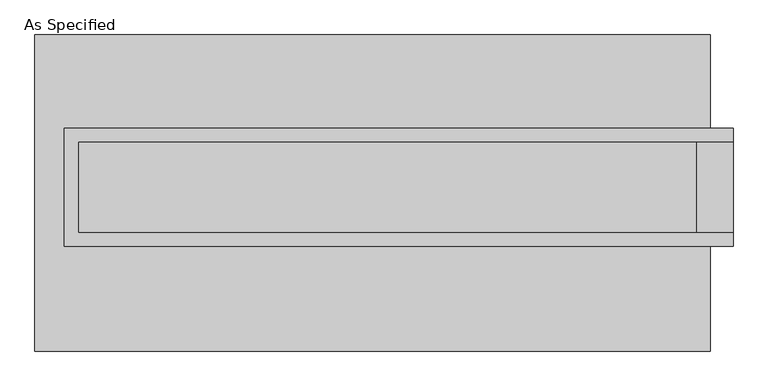
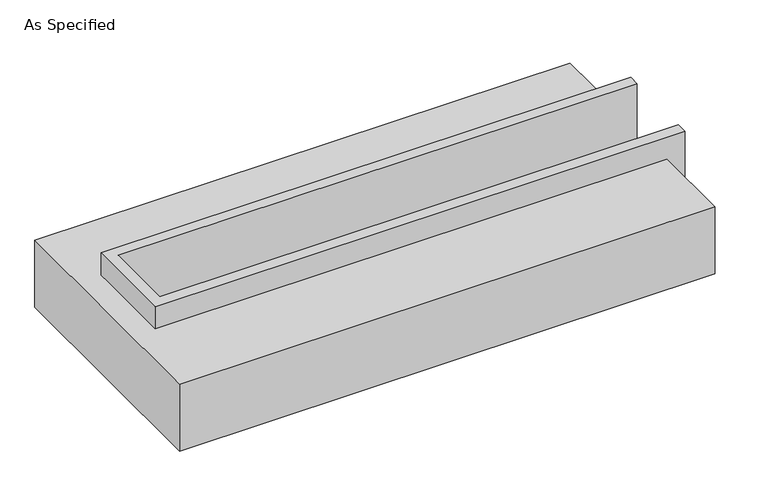
"""IFC4 building model written with IfcOpenShell, lengths in millimetres: proxy geometry, As Specified."""

from ifc_helpers import new_model, si_unit, origin, place, context, project, spatial, faceted_brep, source, transform, mapped, element, save


def as_specified_a4f31596(model_context):
    return source(origin(), model_context, "Body", "Brep", [
        faceted_brep([(-1720.85, 361.95, 139.7), (-1720.85, 361.95, -393.7), (-1720.85, 285.75, -393.7), (-1720.85, 285.75, -25.4), (-1720.85, -222.25, -25.4), (-1720.85, -222.25, -393.7), (-1720.85, -298.45, -393.7), (-1720.85, -298.45, 139.7), (2012.95, 285.75, 139.7), (2012.95, 285.75, -317.5), (2012.95, -222.25, -317.5), (2012.95, -222.25, 139.7), (2012.95, -298.45, 139.7), (2012.95, -298.45, -393.7), (2012.95, 361.95, -393.7), (2012.95, 361.95, 139.7), (-1644.65, -222.25, 139.7), (-1644.65, 285.75, 139.7), (1809.75, -222.25, -393.7), (1809.75, 285.75, -393.7), (1809.75, -222.25, -317.5), (-1644.65, -222.25, -25.4), (1809.75, 285.75, -317.5), (-1644.65, 285.75, -25.4)], [[[0, 1, 2, 3, 4, 5, 6, 7]], [[8, 9, 10, 11, 12, 13, 14, 15]], [[0, 7, 12, 11, 16, 17, 8, 15]], [[1, 0, 15, 14]], [[14, 13, 6, 5, 18, 19, 2, 1]], [[7, 6, 13, 12]], [[11, 10, 20, 18, 5, 4, 21, 16]], [[10, 9, 22, 20]], [[9, 8, 17, 23, 3, 2, 19, 22]], [[18, 20, 22, 19]], [[23, 21, 4, 3]], [[17, 16, 21, 23]]]),
        faceted_brep([(-1885.95, 882.65, -523.9742188), (1885.95, 882.65, -523.9742188), (1885.95, -882.65, -523.9742188), (-1885.95, -882.65, -523.9742188), (1885.95, 882.65, -25.4), (-1885.95, 882.65, -25.4), (-1885.95, -882.65, -25.4), (1885.95, -882.65, -25.4), (1885.95, -298.45, -25.4), (-1720.85, -298.45, -25.4), (-1720.85, 361.95, -25.4), (1885.95, 361.95, -25.4), (1885.95, 361.95, -393.7), (1885.95, -298.45, -393.7), (-1720.85, -298.45, -393.7), (-1720.85, 361.95, -393.7)], [[[0, 1, 2, 3]], [[4, 5, 6, 7, 8, 9, 10, 11]], [[1, 0, 5, 4]], [[5, 0, 3, 6]], [[1, 4, 11, 12, 13, 8, 7, 2]], [[3, 2, 7, 6]], [[14, 15, 10, 9]], [[10, 15, 12, 11]], [[15, 14, 13, 12]], [[14, 9, 8, 13]]]),
    ])


if __name__ == "__main__":
    model = new_model("IFC4")
    model_context = context("Model", 3, world=origin())
    ifc_project = project(units=[si_unit("LENGTHUNIT", "METRE", prefix="MILLI")], contexts=[model_context])
    site = spatial("IfcSite", under=ifc_project)
    building = spatial("IfcBuilding", under=site)
    placement = place(None, origin())
    as_specified_shape = as_specified_a4f31596(model_context)
    element("IfcBuildingElementProxy", 1, Name="As Specified", ObjectType="As Specified", at=placement, inside=building, context=model_context, shape_type="MappedRepresentation", body=[
        mapped(as_specified_shape, transform((0.0, 0.0, 0.0), x_axis=(1.0, 0.0, 0.0), y_axis=(0.0, 1.0, 0.0), z_axis=(0.0, 0.0, 1.0))),
    ])
    save(model, "model.ifc")
